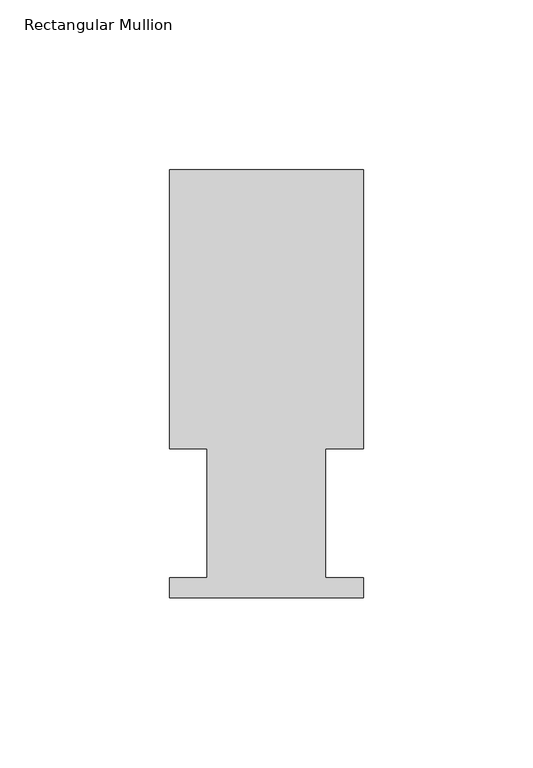
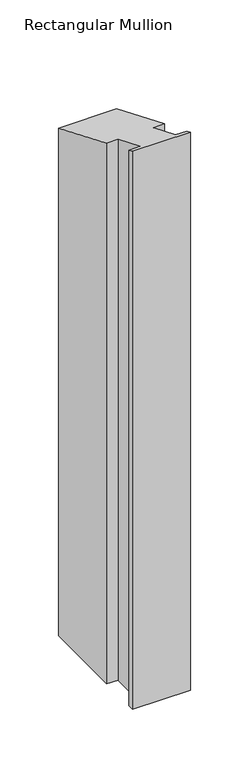
"""IFC4 building model written with IfcOpenShell, lengths in millimetres: member geometry, Rectangular Mullion."""

from ifc_helpers import new_model, si_unit, origin, place, context, project, spatial, faceted_brep, source, transform, mapped, element, save


def rectangular_mullion_769d3d78(model_context):
    return source(origin(), model_context, "Body", "Brep", [
        faceted_brep([(0.0, 126.619, -581.3234607), (0.0, 44.45, -581.3234607), (-11.1120704, 44.45, -581.3234607), (-11.1120704, 6.35, -581.3234607), (0.0, 6.35, -581.3234607), (0.0, 0.4064, -581.3234607), (-57.15, 0.4064, -581.3234607), (-57.15, 6.35, -581.3234607), (-46.0370705, 6.35, -581.3234607), (-46.0370705, 44.45, -581.3234607), (-57.15, 44.45, -581.3234607), (-57.15, 126.619, -581.3234607), (-57.15, 126.619, -52.4473071), (0.0, 126.619, -52.4473071), (-57.15, 44.45, -18.4117928), (-46.0370705, 44.45, -18.4117928), (-46.0370705, 6.35, -2.6302561), (-57.15, 6.35, -2.6302561), (-57.15, 0.4064, -0.1683364), (0.0, 0.4064, -0.1683364), (0.0, 6.35, -2.6302561), (-11.1120704, 6.35, -2.6302561), (-11.1120704, 44.45, -18.4117928), (0.0, 44.45, -18.4117928)], [[[0, 1, 2, 3, 4, 5, 6, 7, 8, 9, 10, 11]], [[12, 13, 0, 11]], [[14, 12, 11, 10]], [[15, 14, 10, 9]], [[16, 15, 9, 8]], [[17, 16, 8, 7]], [[18, 17, 7, 6]], [[19, 18, 6, 5]], [[20, 19, 5, 4]], [[21, 20, 4, 3]], [[22, 21, 3, 2]], [[23, 22, 2, 1]], [[13, 23, 1, 0]], [[13, 12, 14, 15, 16, 17, 18, 19, 20, 21, 22, 23]]]),
    ])


if __name__ == "__main__":
    model = new_model("IFC4")
    model_context = context("Model", 3, world=origin())
    ifc_project = project(units=[si_unit("LENGTHUNIT", "METRE", prefix="MILLI")], contexts=[model_context])
    site = spatial("IfcSite", under=ifc_project)
    building = spatial("IfcBuilding", under=site)
    placement = place(None, origin())
    rectangular_mullion_shape = rectangular_mullion_769d3d78(model_context)
    element("IfcMember", 1, ObjectType="Rectangular Mullion", at=placement, inside=building, context=model_context, shape_type="MappedRepresentation", body=[
        mapped(rectangular_mullion_shape, transform((0.0, 0.0, 0.0), x_axis=(1.0, 0.0, 0.0), y_axis=(0.0, 1.0, 0.0), z_axis=(0.0, 0.0, 1.0))),
    ])
    save(model, "model.ifc")
